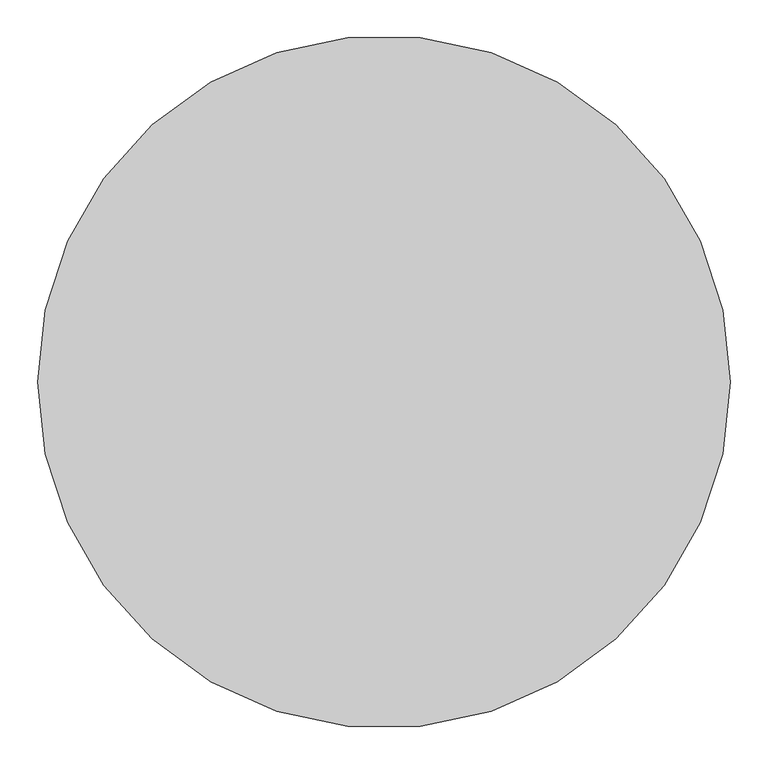
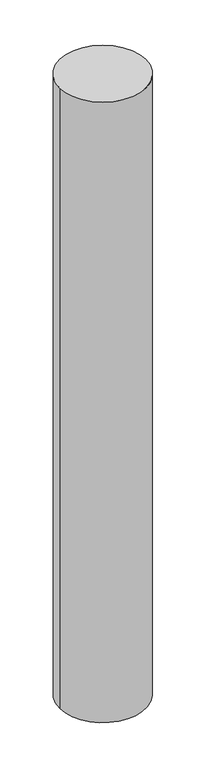
"""IFC4 building model written with IfcOpenShell, lengths in millimetres: proxy geometry."""

from ifc_helpers import new_model, si_unit, point, frame, origin, origin_2d, place, context, project, spatial, circle_curve, trimmed, segment, composite_curve, outline, extrude, source, transform, mapped, element, save


def generic_models_45584d06(model_context):
    return source(origin(), model_context, "Body", "SweptSolid", [
        extrude(outline(composite_curve([segment(trimmed(circle_curve(origin_2d(), 460.0), [point((-460.0, 0.0))], [point((460.0, 0.0))], False, "CARTESIAN"), True, "CONTINUOUS"), segment(trimmed(circle_curve(origin_2d(), 460.0), [point((460.0, 0.0))], [point((-460.0, 0.0))], False, "CARTESIAN"), True, "CONTINUOUS")], self_intersect=False)), frame((0.0, 0.0, -7000.0), z_axis=(0.0, 0.0, 1.0), x_axis=(1.0, 0.0, 0.0)), (0.0, 0.0, 1.0), 7000.0),
    ])


if __name__ == "__main__":
    model = new_model("IFC4")
    model_context = context("Model", 3, world=origin())
    ifc_project = project(units=[si_unit("LENGTHUNIT", "METRE", prefix="MILLI")], contexts=[model_context])
    site = spatial("IfcSite", under=ifc_project)
    building = spatial("IfcBuilding", under=site)
    placement = place(None, origin())
    generic_models_shape = generic_models_45584d06(model_context)
    element("IfcBuildingElementProxy", 1, Name="Generic Models", at=placement, inside=building, context=model_context, shape_type="MappedRepresentation", body=[
        mapped(generic_models_shape, transform((0.0, 0.0, 0.0), x_axis=(1.0, 0.0, 0.0), y_axis=(0.0, 1.0, 0.0), z_axis=(0.0, 0.0, 1.0))),
    ])
    save(model, "model.ifc")
